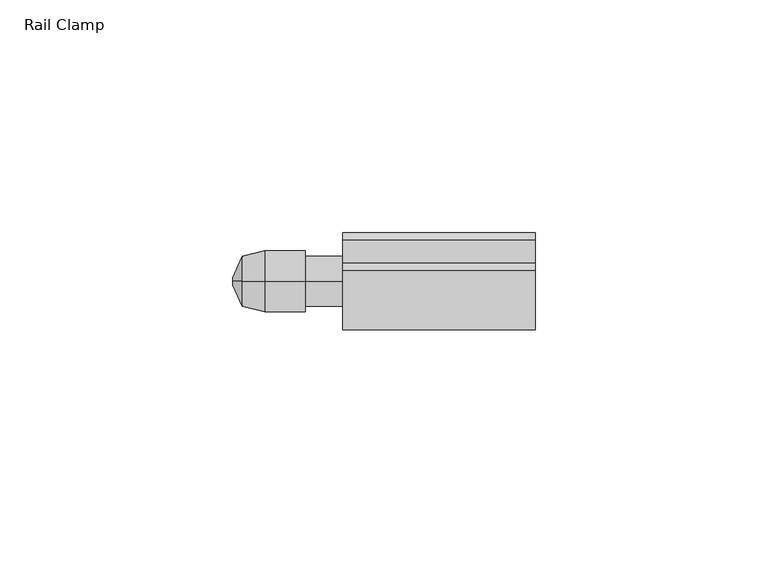
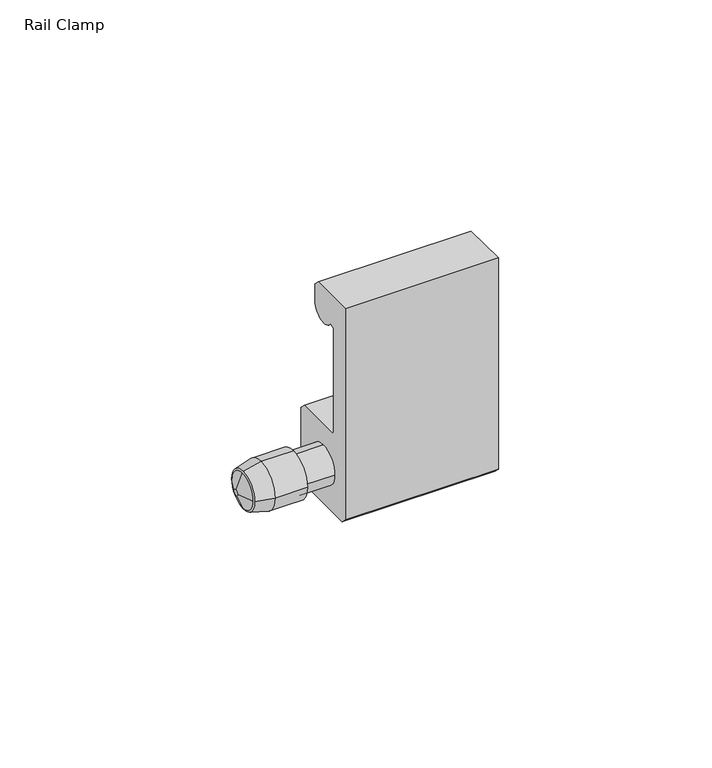
"""IFC4 building model written with IfcOpenShell, lengths in millimetres: furniture geometry, Rail Clamp."""

from ifc_helpers import new_model, si_unit, frame, origin, place, context, project, spatial, polyline, circle_curve, source, transform, mapped, element, save
from ifc_brep_helpers import plane_surface, cylinder_surface, revolved_surface, advanced_brep


def rail_clamp_815a3b2c(model_context):
    return source(origin(), model_context, "Body", "AdvancedBrep", [
        advanced_brep(
        [(-42.2627645, -46.5617724, 1203.4943035), (-42.2627645, -41.2023724, 1208.8537035), (-42.2627645, -35.8429724, 1203.4943035), (-42.2627645, -41.2023724, 1198.1349035), (-37.4502448, -47.7301724, 1203.4943035), (-37.4502448, -41.2023724, 1196.9665035), (-37.4502448, -34.6745724, 1203.4943035), (-37.4502448, -41.2023724, 1210.0221035)],
        [
            (0, 1, circle_curve(frame((-42.2627645, -41.2023724, 1203.4943035), z_axis=(-1.0, 0.0, 3.3751564866409906e-12), x_axis=(0.0, -1.0, 7.1826602636639224e-12)), 5.3594)),
            (1, 2, circle_curve(frame((-42.2627645, -41.2023724, 1203.4943035), z_axis=(-1.0, -3.408556472706709e-12, 0.0), x_axis=(0.0, -7.421599566788144e-12, 1.0)), 5.3594)),
            (2, 3, circle_curve(frame((-42.2627645, -41.2023724, 1203.4943035), z_axis=(-1.0, 0.0, 1.6875782433204953e-12), x_axis=(0.0, 1.0, 2.0852884636433977e-12)), 5.3594)),
            (3, 0, circle_curve(frame((-42.2627645, -41.2023724, 1203.4943035), z_axis=(-1.0, -1.6998835013447073e-12, 0.0), x_axis=(0.0, -6.349992995179358e-12, -1.0)), 5.3594)),
            (4, 5, circle_curve(frame((-37.4502448, -41.2023724, 1203.4943035), z_axis=(1.0, 1.6998835013447073e-12, 0.0), x_axis=(0.0, -6.349992995179358e-12, -1.0)), 6.5278)),
            (5, 6, circle_curve(frame((-37.4502448, -41.2023724, 1203.4943035), z_axis=(1.0, 0.0, -1.6875782433204953e-12), x_axis=(0.0, 1.0, 2.0852884636433977e-12)), 6.5278)),
            (6, 7, circle_curve(frame((-37.4502448, -41.2023724, 1203.4943035), z_axis=(1.0, 3.408556472706709e-12, 0.0), x_axis=(0.0, -7.421599566788144e-12, 1.0)), 6.5278)),
            (7, 4, circle_curve(frame((-37.4502448, -41.2023724, 1203.4943035), z_axis=(1.0, 0.0, -3.3751564866409906e-12), x_axis=(0.0, -1.0, 7.1826602636639224e-12)), 6.5278)),
            (4, 0),
            (3, 5),
            (2, 6),
            (1, 7),
        ],
        [
            plane_surface(frame((-42.2627645, -41.2023724, 1203.4943035), z_axis=(-1.0, 0.0, 0.0), x_axis=(0.0, 0.0, -1.0))),
            plane_surface(frame((-37.4502448, -41.2023724, 1203.4943035), z_axis=(1.0, 0.0, 0.0), x_axis=(0.0, 0.0, -1.0))),
            revolved_surface(polyline([(-42.26276450000911, -41.2023724, 1198.1349035097326), (-37.4502448, -41.2023724, 1196.9665035)]), (-64.3375829, -41.2023724, 1203.4943035), (1.0, 1.6998835013447073e-12, 0.0)),
            revolved_surface(polyline([(-42.2627645, -35.84297240973024, 1203.4943035), (-37.45024479998899, -34.67457239999733, 1203.4943035)]), (-64.3375829, -41.2023724, 1203.4943035), (1.0, 0.0, -1.6875782433204953e-12)),
            revolved_surface(polyline([(-42.2627645, -41.2023724, 1208.8537034902697), (-37.45024479997775, -41.2023724, 1210.0221035000054)]), (-64.3375829, -41.2023724, 1203.4943035), (1.0, 3.408556472706709e-12, 0.0)),
            revolved_surface(polyline([(-42.26276450001809, -46.561772390265375, 1203.4943035), (-37.4502448, -47.7301724, 1203.4943035)]), (-64.3375829, -41.2023724, 1203.4943035), (1.0, 0.0, -3.3751564866409906e-12)),
        ],
        [
            (0, [[1, 2, 3, 4]]),
            (1, [[5, 6, 7, 8]]),
            (2, [[-5, 9, -4, 10]]),
            (3, [[-6, -10, -3, 11]]),
            (4, [[-7, -11, -2, 12]]),
            (5, [[-8, -12, -1, -9]]),
        ],
    ),
        advanced_brep(
        [(-20.6375, -30.8010724, 1193.7999982), (-20.6375, -32.3758712, 1192.2252), (-20.6375, -50.0288731, 1192.2252), (-20.6375, -51.6036724, 1193.7999982), (-20.6375, -51.6036724, 1254.0742), (-20.6375, -38.9100224, 1254.0742), (-20.6375, -37.3352224, 1252.4993995), (-20.6375, -37.3352224, 1247.7496001), (-20.6375, -44.603154, 1245.5646341), (-20.6375, -46.0474222, 1245.1304422), (-20.6375, -46.0474222, 1215.3960319), (-20.6375, -45.4521097, 1214.8007194), (-20.6375, -32.3758724, 1214.8007194), (-20.6375, -30.8010724, 1213.22592), (-20.6375, -46.5617724, 1203.4943035), (-20.6375, -41.2023724, 1198.1349035), (-20.6375, -35.8429724, 1203.4943035), (-20.6375, -41.2023724, 1208.8537035), (20.6375, -30.8010724, 1193.7999982), (20.6375, -30.8010724, 1213.22592), (20.6375, -32.3758724, 1214.8007194), (20.6375, -45.4521097, 1214.8007194), (20.6375, -46.0474222, 1215.3960319), (20.6375, -46.0474222, 1245.1304422), (20.6375, -44.603154, 1245.5646341), (20.6375, -37.3352224, 1247.7496001), (20.6375, -37.3352224, 1252.4993995), (20.6375, -38.9100224, 1254.0742), (20.6375, -51.6036724, 1254.0742), (20.6375, -51.6036724, 1193.7999982), (20.6375, -50.0288731, 1192.2252), (20.6375, -32.3758712, 1192.2252), (-28.6997615, -46.5617724, 1203.4943035), (-28.6997615, -41.2023724, 1198.1349035), (-28.6997615, -35.8429724, 1203.4943035), (-28.6997615, -41.2023724, 1208.8537035), (-28.6997615, -47.7301724, 1203.4943035), (-28.6997615, -41.2023724, 1196.9665035), (-28.6997615, -34.6745724, 1203.4943035), (-28.6997615, -41.2023724, 1210.0221035), (-37.4502448, -47.7301724, 1203.4943035), (-37.4502448, -41.2023724, 1210.0221035), (-37.4502448, -34.6745724, 1203.4943035), (-37.4502448, -41.2023724, 1196.9665035)],
        [
            (0, 1),
            (1, 2),
            (2, 3),
            (3, 4),
            (4, 5),
            (5, 6),
            (6, 7),
            (7, 8, circle_curve(frame((-20.6375, -41.2976225, 1247.7496001), z_axis=(-1.0, 0.0, 0.0), x_axis=(0.0, 1.0, 0.0)), 3.9624001)),
            (8, 9),
            (9, 10),
            (10, 11),
            (11, 12),
            (12, 13),
            (13, 0),
            (14, 15, circle_curve(frame((-20.6375, -41.2023724, 1203.4943035), z_axis=(1.0, 0.0, 0.0), x_axis=(0.0, 1.0, 0.0)), 5.3594)),
            (15, 16, circle_curve(frame((-20.6375, -41.2023724, 1203.4943035), z_axis=(1.0, 0.0, 0.0), x_axis=(0.0, 1.0, 0.0)), 5.3594)),
            (16, 17, circle_curve(frame((-20.6375, -41.2023724, 1203.4943035), z_axis=(1.0, 0.0, 0.0), x_axis=(0.0, 1.0, 0.0)), 5.3594)),
            (17, 14, circle_curve(frame((-20.6375, -41.2023724, 1203.4943035), z_axis=(1.0, 0.0, 0.0), x_axis=(0.0, 1.0, 0.0)), 5.3594)),
            (18, 19),
            (19, 20),
            (20, 21),
            (21, 22),
            (22, 23),
            (23, 24),
            (24, 25, circle_curve(frame((20.6375, -41.2976225, 1247.7496001), z_axis=(1.0, 0.0, 0.0), x_axis=(0.0, 1.0, 0.0)), 3.9624001)),
            (25, 26),
            (26, 27),
            (27, 28),
            (28, 29),
            (29, 30),
            (30, 31),
            (31, 18),
            (0, 18),
            (31, 1),
            (30, 2),
            (29, 3),
            (28, 4),
            (27, 5),
            (26, 6),
            (25, 7),
            (24, 8),
            (23, 9),
            (22, 10),
            (21, 11),
            (20, 12),
            (19, 13),
            (14, 32),
            (32, 33, circle_curve(frame((-28.6997615, -41.2023724, 1203.4943035), z_axis=(1.0, 0.0, 0.0), x_axis=(0.0, 1.0, 0.0)), 5.3594)),
            (33, 15),
            (33, 34, circle_curve(frame((-28.6997615, -41.2023724, 1203.4943035), z_axis=(1.0, 0.0, 0.0), x_axis=(0.0, 1.0, 0.0)), 5.3594)),
            (34, 16),
            (34, 35, circle_curve(frame((-28.6997615, -41.2023724, 1203.4943035), z_axis=(1.0, 0.0, 0.0), x_axis=(0.0, 1.0, 0.0)), 5.3594)),
            (35, 17),
            (35, 32, circle_curve(frame((-28.6997615, -41.2023724, 1203.4943035), z_axis=(1.0, 0.0, 0.0), x_axis=(0.0, 1.0, 0.0)), 5.3594)),
            (36, 37, circle_curve(frame((-28.6997615, -41.2023724, 1203.4943035), z_axis=(1.0, 0.0, 0.0), x_axis=(0.0, 1.0, 0.0)), 6.5278)),
            (37, 38, circle_curve(frame((-28.6997615, -41.2023724, 1203.4943035), z_axis=(1.0, 0.0, 0.0), x_axis=(0.0, 1.0, 0.0)), 6.5278)),
            (38, 39, circle_curve(frame((-28.6997615, -41.2023724, 1203.4943035), z_axis=(1.0, 0.0, 0.0), x_axis=(0.0, 1.0, 0.0)), 6.5278)),
            (39, 36, circle_curve(frame((-28.6997615, -41.2023724, 1203.4943035), z_axis=(1.0, 0.0, 0.0), x_axis=(0.0, 1.0, 0.0)), 6.5278)),
            (40, 41, circle_curve(frame((-37.4502448, -41.2023724, 1203.4943035), z_axis=(-1.0, 0.0, 0.0), x_axis=(0.0, 1.0, 0.0)), 6.5278)),
            (41, 42, circle_curve(frame((-37.4502448, -41.2023724, 1203.4943035), z_axis=(-1.0, 0.0, 0.0), x_axis=(0.0, 1.0, 0.0)), 6.5278)),
            (42, 43, circle_curve(frame((-37.4502448, -41.2023724, 1203.4943035), z_axis=(-1.0, 0.0, 0.0), x_axis=(0.0, 1.0, 0.0)), 6.5278)),
            (43, 40, circle_curve(frame((-37.4502448, -41.2023724, 1203.4943035), z_axis=(-1.0, 0.0, 0.0), x_axis=(0.0, 1.0, 0.0)), 6.5278)),
            (36, 40),
            (43, 37),
            (42, 38),
            (41, 39),
        ],
        [
            plane_surface(frame((-20.6375, -41.2023724, 1254.0742), z_axis=(-1.0, 0.0, 0.0), x_axis=(0.0, 0.0, 1.0))),
            plane_surface(frame((20.6375, -41.2023724, 1254.0742), z_axis=(1.0, 0.0, 0.0), x_axis=(0.0, 0.0, 1.0))),
            plane_surface(frame((-20.6375, -30.8010724, 1193.7999982), z_axis=(0.0, 0.7071066537262837, -0.7071069086467884), x_axis=(1.0, 0.0, 0.0))),
            plane_surface(frame((-20.6375, -32.3758712, 1192.2252), z_axis=(0.0, 0.0, -1.0), x_axis=(1.0, 0.0, 0.0))),
            plane_surface(frame((-20.6375, -50.0288731, 1192.2252), z_axis=(0.0, -0.7071065262660429, -0.7071070361069604), x_axis=(1.0, 0.0, 0.0))),
            plane_surface(frame((-20.6375, -51.6036724, 1193.7999982), z_axis=(0.0, -1.0, 0.0), x_axis=(1.0, 0.0, 0.0))),
            plane_surface(frame((-20.6375, -51.6036724, 1254.0742), z_axis=(0.0, 0.0, 1.0), x_axis=(1.0, 0.0, 0.0))),
            plane_surface(frame((-20.6375, -38.9100224, 1254.0742), z_axis=(0.0, 0.7071069046636025, 0.707106657709471), x_axis=(1.0, 0.0, 0.0))),
            plane_surface(frame((-20.6375, -37.3352224, 1252.4993995), z_axis=(0.0, 1.0, 0.0), x_axis=(1.0, 0.0, 0.0))),
            cylinder_surface(frame((-20.6375, -41.2976225, 1247.7496001), z_axis=(-1.0, 0.0, 0.0), x_axis=(0.0, 1.0, 0.0)), 3.9624001),
            plane_surface(frame((-20.6375, -44.603154, 1245.5646341), z_axis=(0.0, 0.2879022867565173, -0.9576597899464967), x_axis=(1.0, 0.0, 0.0))),
            plane_surface(frame((-20.6375, -46.0474222, 1245.1304422), z_axis=(0.0, 1.0, 0.0), x_axis=(1.0, 0.0, 0.0))),
            plane_surface(frame((-20.6375, -46.0474222, 1215.3960319), z_axis=(0.0, 0.7071067811865476, 0.7071067811865476), x_axis=(1.0, 0.0, 0.0))),
            plane_surface(frame((-20.6375, -45.4521097, 1214.8007194), z_axis=(0.0, 0.0, 1.0), x_axis=(1.0, 0.0, 0.0))),
            plane_surface(frame((-20.6375, -32.3758724, 1214.8007194), z_axis=(0.0, 0.7071066537262837, 0.7071069086467885), x_axis=(1.0, 0.0, 0.0))),
            plane_surface(frame((-20.6375, -30.8010724, 1213.22592), z_axis=(0.0, 1.0, 0.0), x_axis=(1.0, 0.0, 0.0))),
            cylinder_surface(frame((-28.6997615, -41.2023724, 1203.4943035), z_axis=(1.0, 0.0, 0.0), x_axis=(0.0, 1.0, 0.0)), 5.3594),
            plane_surface(frame((-28.6997615, -34.6745724, 1203.4943035), z_axis=(1.0, 0.0, 0.0), x_axis=(0.0, 0.0, 1.0))),
            plane_surface(frame((-37.4502448, -34.6745724, 1203.4943035), z_axis=(-1.0, 0.0, 0.0), x_axis=(0.0, 0.0, -1.0))),
            cylinder_surface(frame((-37.4502448, -41.2023724, 1203.4943035), z_axis=(1.0, 0.0, 0.0), x_axis=(0.0, 1.0, 0.0)), 6.5278),
        ],
        [
            (0, [[1, 2, 3, 4, 5, 6, 7, 8, 9, 10, 11, 12, 13, 14], [15, 16, 17, 18]]),
            (1, [[19, 20, 21, 22, 23, 24, 25, 26, 27, 28, 29, 30, 31, 32]]),
            (2, [[-1, 33, -32, 34]]),
            (3, [[-2, -34, -31, 35]]),
            (4, [[-3, -35, -30, 36]]),
            (5, [[-4, -36, -29, 37]]),
            (6, [[-5, -37, -28, 38]]),
            (7, [[-6, -38, -27, 39]]),
            (8, [[-7, -39, -26, 40]]),
            (9, [[-8, -40, -25, 41]]),
            (10, [[-9, -41, -24, 42]]),
            (11, [[-10, -42, -23, 43]]),
            (12, [[-11, -43, -22, 44]]),
            (13, [[-12, -44, -21, 45]]),
            (14, [[-13, -45, -20, 46]]),
            (15, [[-14, -46, -19, -33]]),
            (16, [[47, 48, 49, -15]]),
            (16, [[-49, 50, 51, -16]]),
            (16, [[-51, 52, 53, -17]]),
            (16, [[-47, -18, -53, 54]]),
            (17, [[55, 56, 57, 58], [-48, -54, -52, -50]]),
            (18, [[59, 60, 61, 62]]),
            (19, [[-55, 63, -62, 64]]),
            (19, [[-56, -64, -61, 65]]),
            (19, [[-57, -65, -60, 66]]),
            (19, [[-58, -66, -59, -63]]),
        ],
    ),
        advanced_brep(
        [(-44.2561748, -41.9961224, 1203.4943035), (-44.2561748, -41.2023724, 1204.2880535), (-44.2561748, -40.4086224, 1203.4943035), (-44.2561748, -41.2023724, 1202.7005535), (-42.2627645, -46.5617724, 1203.4943035), (-42.2627645, -41.2023724, 1198.1349035), (-42.2627645, -35.8429724, 1203.4943035), (-42.2627645, -41.2023724, 1208.8537035)],
        [
            (0, 1, circle_curve(frame((-44.2561748, -41.2023724, 1203.4943035), z_axis=(-1.0, 0.0, -1.4938643608720637e-12), x_axis=(0.0, -1.0, 0.0)), 0.79375)),
            (1, 2, circle_curve(frame((-44.2561748, -41.2023724, 1203.4943035), z_axis=(-1.0, 1.4938643608720637e-12, 0.0), x_axis=(0.0, 0.0, 1.0)), 0.79375)),
            (2, 3, circle_curve(frame((-44.2561748, -41.2023724, 1203.4943035), z_axis=(-1.0, 0.0, 3.666757976685974e-12), x_axis=(0.0, 1.0, 0.0)), 0.79375)),
            (3, 0, circle_curve(frame((-44.2561748, -41.2023724, 1203.4943035), z_axis=(-1.0, -3.730416969336772e-12, 0.0), x_axis=(0.0, -1.6287388683938595e-12, -1.0)), 0.79375)),
            (4, 5, circle_curve(frame((-42.2627645, -41.2023724, 1203.4943035), z_axis=(1.0, 3.730416969336772e-12, 0.0), x_axis=(0.0, -1.6287388683938595e-12, -1.0)), 5.3594)),
            (5, 6, circle_curve(frame((-42.2627645, -41.2023724, 1203.4943035), z_axis=(1.0, 0.0, -3.666757976685974e-12), x_axis=(0.0, 1.0, 0.0)), 5.3594)),
            (6, 7, circle_curve(frame((-42.2627645, -41.2023724, 1203.4943035), z_axis=(1.0, -1.4938643608720637e-12, 0.0), x_axis=(0.0, 0.0, 1.0)), 5.3594)),
            (7, 4, circle_curve(frame((-42.2627645, -41.2023724, 1203.4943035), z_axis=(1.0, 0.0, 1.4938643608720637e-12), x_axis=(0.0, -1.0, 0.0)), 5.3594)),
            (0, 4),
            (7, 1),
            (6, 2),
            (5, 3),
        ],
        [
            plane_surface(frame((-44.2561748, -41.2023724, 1203.4943035), z_axis=(-1.0, 0.0, 0.0), x_axis=(0.0, -1.0, 0.0))),
            plane_surface(frame((-42.2627645, -41.2023724, 1203.4943035), z_axis=(1.0, 0.0, 0.0), x_axis=(0.0, -1.0, 0.0))),
            revolved_surface(polyline([(-44.2561748, -41.99612238100404, 1203.4943035), (-42.262764499991995, -46.56177240001834, 1203.4943035)]), (-44.6027343, -41.2023724, 1203.4943035), (1.0, 0.0, 1.4938643608720637e-12)),
            revolved_surface(polyline([(-44.25617480000118, -41.2023724, 1204.2880534810013), (-42.2627645, -41.2023724, 1208.8537035)]), (-44.6027343, -41.2023724, 1203.4943035), (1.0, -1.4938643608720637e-12, 0.0)),
            revolved_surface(polyline([(-44.2561748, -40.40862241899596, 1203.4943035), (-42.26276449998035, -35.84297239995499, 1203.4943035)]), (-44.6027343, -41.2023724, 1203.4943035), (1.0, 0.0, -3.666757976685974e-12)),
            revolved_surface(polyline([(-44.25617480000296, -41.2023724, 1202.7005535190026), (-42.2627645, -41.2023724, 1198.1349035)]), (-44.6027343, -41.2023724, 1203.4943035), (1.0, 3.730416969336772e-12, 0.0)),
        ],
        [
            (0, [[1, 2, 3, 4]]),
            (1, [[5, 6, 7, 8]]),
            (2, [[-1, 9, -8, 10]]),
            (3, [[-2, -10, -7, 11]]),
            (4, [[-3, -11, -6, 12]]),
            (5, [[-4, -12, -5, -9]]),
        ],
    ),
    ])


if __name__ == "__main__":
    model = new_model("IFC4")
    model_context = context("Model", 3, world=origin())
    ifc_project = project(units=[si_unit("LENGTHUNIT", "METRE", prefix="MILLI")], contexts=[model_context])
    site = spatial("IfcSite", under=ifc_project)
    building = spatial("IfcBuilding", under=site)
    placement = place(None, origin())
    rail_clamp_shape = rail_clamp_815a3b2c(model_context)
    element("IfcFurniture", 1, ObjectType="Rail Clamp", at=placement, inside=building, context=model_context, shape_type="MappedRepresentation", body=[
        mapped(rail_clamp_shape, transform((0.0, 0.0, 0.0), x_axis=(1.0, 0.0, 0.0), y_axis=(0.0, 1.0, 0.0), z_axis=(0.0, 0.0, 1.0))),
    ])
    save(model, "model.ifc")
